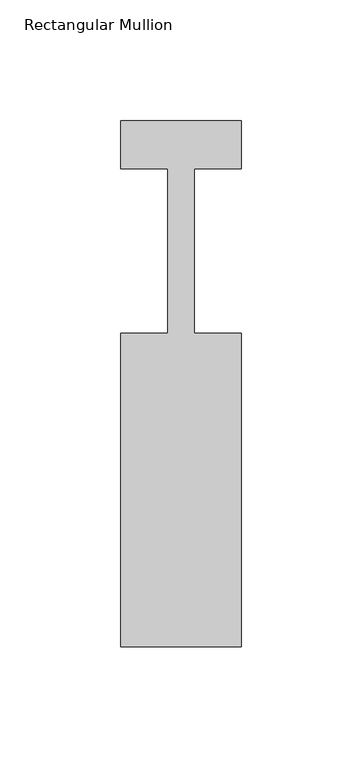
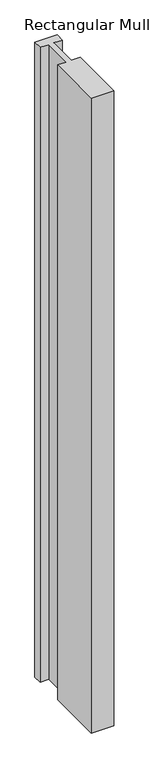
"""IFC4 building model written with IfcOpenShell, lengths in millimetres: member geometry, Rectangular Mullion."""

from ifc_helpers import new_model, si_unit, frame, origin, place, context, project, spatial, polyline, outline, extrude, source, transform, mapped, element, save


def rectangular_mullion_740b6268(model_context):
    return source(origin(), model_context, "Body", "SweptSolid", [
        extrude(outline(polyline([(0.0, -162.0), (-50.0, -162.0), (-50.0, -32.0), (-30.4999999, -32.0), (-30.4999999, 36.0), (-50.0, 36.0), (-50.0, 56.0), (0.0, 56.0), (0.0, 36.0), (-19.5, 36.0), (-19.5, -32.0), (0.0, -32.0), (0.0, -162.0)])), frame((0.0, 0.0, -1500.0), z_axis=(0.0, 0.0, 1.0), x_axis=(1.0, 0.0, 0.0)), (0.0, 0.0, 1.0), 1500.0),
    ])


if __name__ == "__main__":
    model = new_model("IFC4")
    model_context = context("Model", 3, world=origin())
    ifc_project = project(units=[si_unit("LENGTHUNIT", "METRE", prefix="MILLI")], contexts=[model_context])
    site = spatial("IfcSite", under=ifc_project)
    building = spatial("IfcBuilding", under=site)
    placement = place(None, origin())
    rectangular_mullion_shape = rectangular_mullion_740b6268(model_context)
    element("IfcMember", 1, ObjectType="Rectangular Mullion", at=placement, inside=building, context=model_context, shape_type="MappedRepresentation", body=[
        mapped(rectangular_mullion_shape, transform((0.0, 0.0, 0.0), x_axis=(1.0, 0.0, 0.0), y_axis=(0.0, 1.0, 0.0), z_axis=(0.0, 0.0, 1.0))),
    ])
    save(model, "model.ifc")
